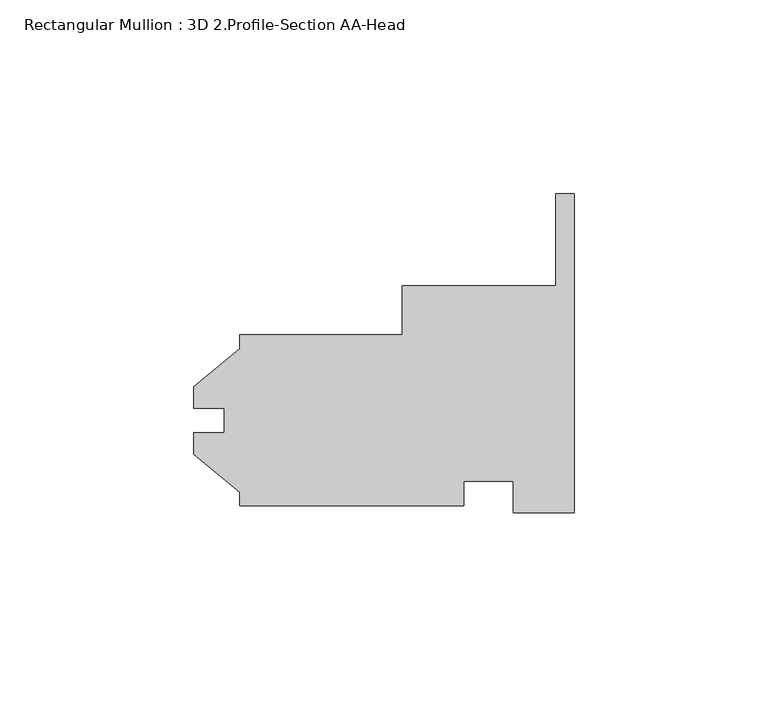
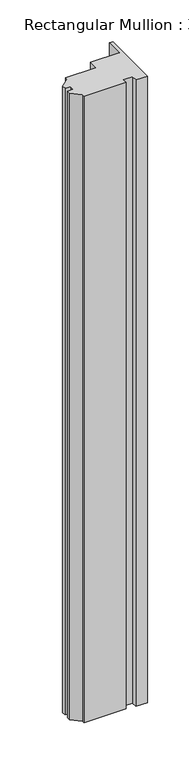
"""IFC4 building model written with IfcOpenShell, lengths in millimetres: member geometry, Rectangular Mullion : 3D 2.Profile-Section AA-Head."""

from ifc_helpers import new_model, si_unit, frame, origin, place, context, project, spatial, polyline, outline, extrude, source, transform, mapped, element, save


def rectangular_mullion_3d_2_profile_section_aa_head_aba12811(model_context):
    return source(origin(), model_context, "Body", "SweptSolid", [
        extrude(outline(polyline([(0.0, 58.6491765), (0.0, -23.7865235), (-15.875, -23.7865235), (-15.875, -15.6585235), (-28.575, -15.6585235), (-28.575, -22.0720235), (-86.5124, -22.0720235), (-86.5124, -18.4928595), (-98.41865, -8.7243235), (-98.41865, -3.1490235), (-90.4748, -3.1490235), (-90.4748, 3.2009765), (-98.41865, 3.2009765), (-98.41865, 8.7762765), (-86.5124, 18.5448126), (-86.5124, 22.1239765), (-44.45, 22.1239765), (-44.45, 34.8239765), (-4.7752, 34.8239765), (-4.7752, 58.6491765), (0.0, 58.6491765)])), frame((0.0, 0.0, -914.4), z_axis=(0.0, 0.0, 1.0), x_axis=(1.0, 0.0, 0.0)), (0.0, 0.0, 1.0), 914.4),
    ])


if __name__ == "__main__":
    model = new_model("IFC4")
    model_context = context("Model", 3, world=origin())
    ifc_project = project(units=[si_unit("LENGTHUNIT", "METRE", prefix="MILLI")], contexts=[model_context])
    site = spatial("IfcSite", under=ifc_project)
    building = spatial("IfcBuilding", under=site)
    placement = place(None, origin())
    rectangular_mullion_3d_2_profile_section_aa_head_shape = rectangular_mullion_3d_2_profile_section_aa_head_aba12811(model_context)
    element("IfcMember", 1, ObjectType="Rectangular Mullion : 3D 2.Profile-Section AA-Head", at=placement, inside=building, context=model_context, shape_type="MappedRepresentation", body=[
        mapped(rectangular_mullion_3d_2_profile_section_aa_head_shape, transform((0.0, 0.0, 0.0), x_axis=(1.0, 0.0, 0.0), y_axis=(0.0, 1.0, 0.0), z_axis=(0.0, 0.0, 1.0))),
    ])
    save(model, "model.ifc")
